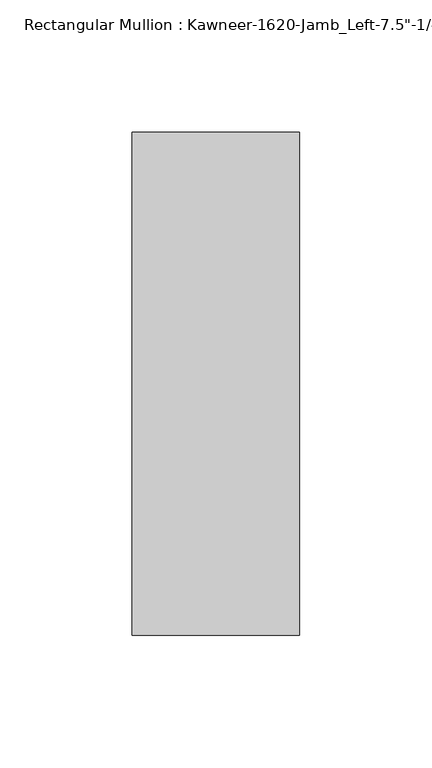
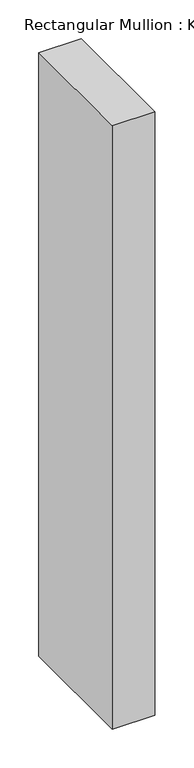
"""IFC4 building model written with IfcOpenShell, lengths in millimetres: member geometry."""

from ifc_helpers import new_model, si_unit, frame, origin, place, context, project, spatial, polyline, outline, extrude, source, transform, mapped, element, save


def member_b129bb11(model_context):
    return source(origin(), model_context, "Body", "SweptSolid", [
        extrude(outline(polyline([(-63.5, 28.575), (0.0, 28.575), (0.0, -161.925), (-63.5, -161.925), (-63.5, 28.575)])), frame((0.0, 0.0, -952.5), z_axis=(0.0, 0.0, 1.0), x_axis=(1.0, 0.0, 0.0)), (0.0, 0.0, 1.0), 952.5),
    ])


if __name__ == "__main__":
    model = new_model("IFC4")
    model_context = context("Model", 3, world=origin())
    ifc_project = project(units=[si_unit("LENGTHUNIT", "METRE", prefix="MILLI")], contexts=[model_context])
    site = spatial("IfcSite", under=ifc_project)
    building = spatial("IfcBuilding", under=site)
    placement = place(None, origin())
    member_shape = member_b129bb11(model_context)
    element("IfcMember", 1, ObjectType="Rectangular Mullion : Kawneer-1620-Jamb_Left-7.5\"-1/4\"Infill", at=placement, inside=building, context=model_context, shape_type="MappedRepresentation", body=[
        mapped(member_shape, transform((0.0, 0.0, 0.0), x_axis=(1.0, 0.0, 0.0), y_axis=(0.0, 1.0, 0.0), z_axis=(0.0, 0.0, 1.0))),
    ])
    save(model, "model.ifc")
